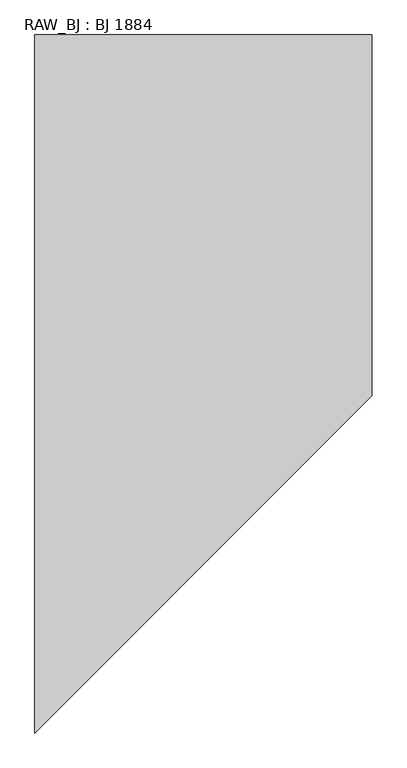
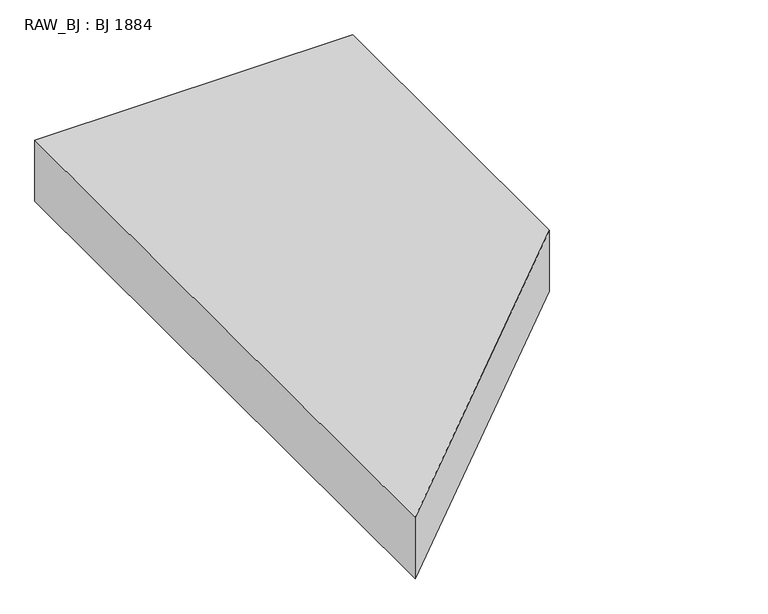
"""IFC4 building model written with IfcOpenShell, lengths in millimetres: proxy geometry, RAW_BJ : BJ 1884."""

from ifc_helpers import new_model, si_unit, frame, origin, place, context, project, spatial, polyline, outline, extrude, source, transform, mapped, element, save


def raw_bj_bj_1884_db0e6dd1(model_context):
    return source(origin(), model_context, "Body", "SweptSolid", [
        extrude(outline(polyline([(600.0, -1284.0), (-600.0, -2484.0), (-600.0, 0.0), (600.0, 0.0), (600.0, -1284.0)])), frame((0.0, 0.0, -243.0), z_axis=(0.0, 0.0, 1.0), x_axis=(1.0, 0.0, 0.0)), (0.0, 0.0, 1.0), 243.0),
    ])


if __name__ == "__main__":
    model = new_model("IFC4")
    model_context = context("Model", 3, world=origin())
    ifc_project = project(units=[si_unit("LENGTHUNIT", "METRE", prefix="MILLI")], contexts=[model_context])
    site = spatial("IfcSite", under=ifc_project)
    building = spatial("IfcBuilding", under=site)
    placement = place(None, origin())
    raw_bj_bj_1884_shape = raw_bj_bj_1884_db0e6dd1(model_context)
    element("IfcBuildingElementProxy", 1, Name="RAW_BJ : BJ 1884", ObjectType="RAW_BJ : BJ 1884", at=placement, inside=building, context=model_context, shape_type="MappedRepresentation", body=[
        mapped(raw_bj_bj_1884_shape, transform((0.0, 0.0, 0.0), x_axis=(1.0, 0.0, 0.0), y_axis=(0.0, 1.0, 0.0), z_axis=(0.0, 0.0, 1.0))),
    ])
    save(model, "model.ifc")
